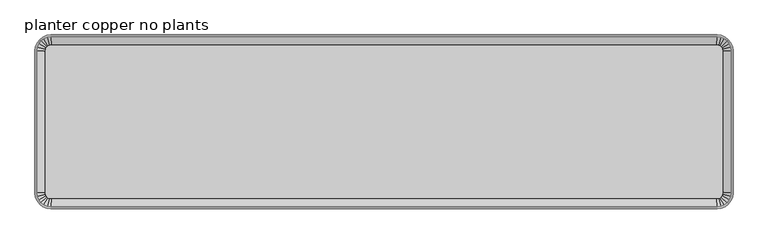
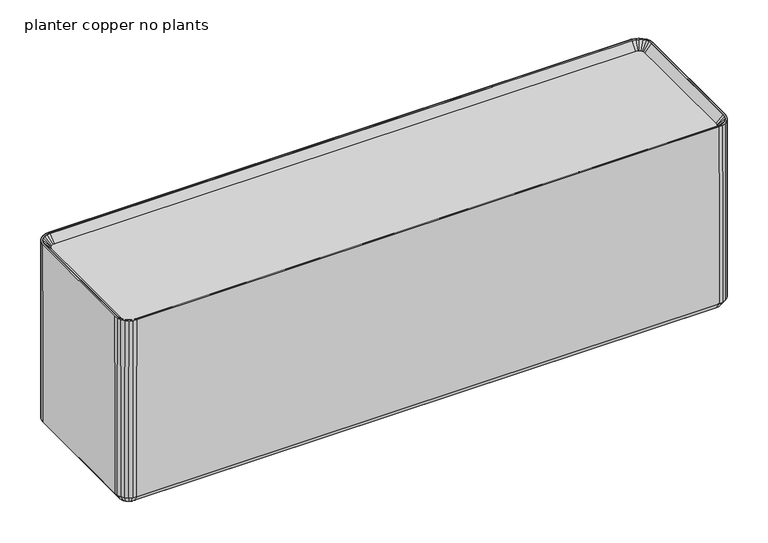
"""IFC4 building model written with IfcOpenShell, lengths in millimetres: furniture geometry, planter copper no plants."""

from ifc_helpers import new_model, si_unit, origin, place, context, project, spatial, triangles, source, transform, mapped, element, save


def planter_copper_no_plants_eedb3421(model_context):
    return source(origin(), model_context, "Body", "Tessellation", [
        triangles([(-534.1934472, 139.7018107, 355.6679343), (-540.7675009, 138.8363112, 355.6679343), (-540.7675009, 138.8363112, 266.7000908), (-534.1934472, 139.7018107, 266.7000908), (-558.7279962, 120.8758068, 355.6679343), (-558.7279962, 120.8758068, 266.7000908), (-556.1905057, 127.0018046, 266.7000908), (-556.1905057, 127.0018046, 355.6679343), (-552.1540152, -132.2587149, 355.6679343), (-552.1540152, -132.2587149, 266.7000908), (-556.1905057, -126.9982166, 266.7000908), (-556.1905057, -126.9982166, 355.6679343), (-558.7279962, -120.8722006, 355.6679343), (-558.7279962, -120.8722006, 266.7000908), (-559.593423, -114.2982287, 266.7000908), (-559.593423, -114.2982287, 355.6679343), (-559.593423, 114.3017895, 266.7000908), (-559.593423, 114.3017895, 355.6679343), (-546.8934714, -136.2952599, 266.7000908), (-546.8934714, -136.2952599, 355.6679343), (-540.7675009, -138.8327504, 266.7000908), (-540.7675009, -138.8327504, 355.6679343), (-534.1934472, -139.6982044, 266.7000908), (-534.1934472, -139.6982044, 355.6679343), (552.1546692, 132.2623756, 355.6677526), (546.8941255, 136.2988843, 355.6677526), (546.8941255, 136.2988843, 266.6999092), (552.1546692, 132.2623756, 266.6999092), (556.1910144, 127.0018682, 355.6677526), (556.1910144, 127.0018682, 266.6999092), (558.7285775, 120.8758613, 266.6999092), (558.7285775, 120.8758613, 355.6677526), (559.5941497, -114.2981651, 355.6677526), (559.5941497, -114.2981651, 266.6999092), (558.7285775, -120.872137, 266.6999092), (558.7285775, -120.872137, 355.6677526), (546.8941255, -136.2951963, 266.6999092), (540.7681549, -138.8326868, 266.6999092), (540.7681549, -138.8326868, 355.6677526), (546.8941255, -136.2951963, 355.6677526), (534.1940649, -139.6981499, 266.6999092), (534.1940649, -139.6981499, 355.6677526), (556.1910144, -126.998153, 266.6999092), (556.1910144, -126.998153, 355.6677526), (552.1546692, -132.2586513, 266.6999092), (552.1546692, -132.2586513, 355.6677526), (559.5941497, 114.301844, 355.6677526), (559.5941497, 114.301844, 266.6999092), (534.1940649, 139.7018743, 355.6677526), (534.1940649, 139.7018743, 266.6999092), (540.7681549, 138.8363657, 355.6677526), (540.7681549, 138.8363657, 266.6999092), (-552.1540152, 132.2623211, 266.7000908), (-552.1540152, 132.2623211, 355.6679343), (-546.8934714, 136.2988207, 355.6679343), (-546.8934714, 136.2988207, 266.7000908), (559.594077, 114.301844, 12.6999016), (559.594077, -114.2981651, 12.6999016), (-540.7675372, 138.8363112, 12.7000935), (-534.1935199, 139.7018107, 12.7000935), (-540.7675372, -138.8327504, 12.7000935), (-546.8935441, -136.2952599, 12.7000958), (546.8940891, 136.2988843, 12.6999039), (552.1545965, 132.2623756, 12.6999027), (556.1909781, -126.998153, 12.6999016), (552.1545965, -132.2586513, 12.6999027), (534.1939922, -139.6981499, 12.6999073), (-534.1935199, -139.6982044, 12.7000935), (-559.5934957, 114.3017895, 12.700098), (-558.7280325, 120.8758068, 12.700098), (534.1939922, 139.7018743, 12.6999073), (-556.190542, -126.9982166, 12.7000969), (-558.7280325, -120.8722006, 12.700098), (-552.1540515, 132.2623211, 12.7000969), (-546.8935441, 136.2988207, 12.7000958), (-559.5934957, -114.2982287, 12.700098), (-552.1540515, -132.2587149, 12.7000969), (-556.190542, 127.0018046, 12.7000969), (558.7285048, -120.872137, 12.6999016), (540.7680822, 138.8363657, 12.699905), (540.7680822, -138.8326868, 12.699905), (546.8940891, -136.2951963, 12.6999039), (556.1909781, 127.0018682, 12.6999016), (558.7285048, 120.8758613, 12.6999016)], [[1, 2, 3], [3, 4, 1], [5, 6, 7], [7, 8, 5], [9, 10, 11], [11, 12, 9], [13, 14, 15], [15, 16, 13], [16, 15, 17], [17, 18, 16], [19, 10, 9], [9, 20, 19], [12, 11, 14], [14, 13, 12], [21, 19, 20], [20, 22, 21], [23, 21, 22], [22, 24, 23], [25, 26, 27], [27, 28, 25], [29, 30, 31], [31, 32, 29], [33, 34, 35], [35, 36, 33], [37, 38, 39], [39, 40, 37], [38, 41, 42], [42, 39, 38], [36, 35, 43], [43, 44, 36], [44, 43, 45], [45, 46, 44], [47, 48, 34], [34, 33, 47], [45, 37, 40], [40, 46, 45], [49, 1, 4], [4, 50, 49], [41, 23, 24], [24, 42, 41], [26, 51, 52], [52, 27, 26], [51, 49, 50], [50, 52, 51], [25, 28, 30], [30, 29, 25], [32, 31, 48], [48, 47, 32], [8, 7, 53], [53, 54, 8], [55, 54, 53], [53, 56, 55], [18, 17, 6], [6, 5, 18], [2, 55, 56], [56, 3, 2], [48, 57, 58], [58, 34, 48], [4, 3, 59], [59, 60, 4], [61, 62, 19], [19, 21, 61], [28, 27, 63], [63, 64, 28], [43, 65, 66], [66, 45, 43], [67, 68, 23], [23, 41, 67], [17, 69, 70], [70, 6, 17], [50, 4, 60], [60, 71, 50], [11, 72, 73], [73, 14, 11], [56, 53, 74], [74, 75, 56], [15, 76, 69], [69, 17, 15], [62, 77, 10], [10, 19, 62], [7, 78, 74], [74, 53, 7], [35, 79, 65], [65, 43, 35], [27, 52, 80], [80, 63, 27], [81, 67, 41], [41, 38, 81], [14, 73, 76], [76, 15, 14], [10, 77, 72], [72, 11, 10], [52, 50, 71], [71, 80, 52], [82, 81, 38], [38, 37, 82], [30, 83, 84], [84, 31, 30], [31, 84, 57], [57, 48, 31], [34, 58, 79], [79, 35, 34], [28, 64, 83], [83, 30, 28], [66, 82, 37], [37, 45, 66], [68, 61, 21], [21, 23, 68], [6, 70, 78], [78, 7, 6], [3, 56, 75], [75, 59, 3]], closed=False),
        triangles([(533.9859017, -136.523153, 355.6677526), (533.1628415, -123.9627278, 342.9677648), (536.6602661, -123.5022544, 342.9677648), (539.9392084, -135.739389, 355.6677526), (-539.9385544, 135.7430407, 330.2679222), (-545.2923337, 133.5254889, 330.2679222), (-545.2923337, 133.5254889, 355.6679343), (-539.9385544, 135.7430407, 355.6679343), (534.1939922, 139.7018743, 12.6999073), (533.6361411, 131.1900937, -9.34e-05), (538.5461612, 130.5436306, -9.43e-05), (540.7680822, 138.8363657, 12.699905), (545.2929877, -133.5218282, 355.6677526), (539.9392084, -135.739389, 330.2677405), (545.2929877, -133.5218282, 330.2677405), (538.9583817, 122.5540565, 342.9677648), (545.2929877, 133.5255525, 355.6677526), (549.8900908, 129.9979426, 355.6677526), (540.9319894, 121.0397321, 342.9677648), (540.9319894, -121.0360532, 342.9677648), (542.4462502, -119.0625454, 342.9677648), (553.4177462, -125.3969335, 355.6677526), (549.8900908, -129.9942455, 355.6677526), (555.6352707, -120.0433086, 355.6677526), (555.6352707, -120.0433086, 330.2677405), (556.4191255, -114.0900292, 330.2677405), (556.4191255, -114.0900292, 355.6677526), (536.6602661, 123.5059334, 342.9677648), (533.1628415, 123.9664521, 342.9677648), (533.9859017, 136.5268682, 355.6677526), (539.9392084, 135.7430952, 355.6677526), (538.9583817, -122.5503412, 342.9677648), (553.4177462, 125.4006669, 355.6677526), (542.4462502, 119.0662607, 342.9677648), (539.9392084, 135.7430952, 330.2677405), (533.9859017, 136.5268682, 330.2677405), (556.1909781, -126.998153, 12.6999016), (548.7561848, -122.7055462, -9.61e-05), (546.0839278, -126.1879826, -9.56e-05), (552.1545965, -132.2586513, 12.6999027), (542.6014006, 128.863873, -9.5e-05), (546.8940891, 136.2988843, 12.6999039), (546.0839278, 126.1917069, -9.56e-05), (552.1545965, 132.2623756, 12.6999027), (559.594077, -114.2981651, 12.6999016), (551.0823146, -113.7402685, -9.65e-05), (550.4358424, -118.6501342, -9.64e-05), (558.7285048, -120.872137, 12.6999016), (542.6014006, -128.8601487, -9.5e-05), (538.5461612, -130.5399517, -9.43e-05), (540.7680822, -138.8326868, 12.699905), (546.8940891, -136.2951963, 12.6999039), (556.1909781, 127.0018682, 12.6999016), (548.7561848, 122.7092251, -9.61e-05), (550.4358424, 118.6538676, -9.64e-05), (558.7285048, 120.8758613, 12.6999016), (-539.9385544, -135.7394435, 355.6679343), (-545.2923337, -133.5218827, 355.6679343), (-545.2923337, -133.5218827, 330.2679222), (-539.9385544, -135.7394435, 330.2679222), (-555.6346893, 120.046933, 355.6679343), (-553.4172011, 125.4006033, 355.6679343), (-542.4455961, 119.0661971, 342.9679101), (-543.3975366, 116.7680634, 342.9679101), (-553.4172011, -125.3969971, 355.6679343), (-553.4172011, -125.3969971, 330.2679222), (-549.8895822, -129.9943, 330.2679222), (-549.8895822, -129.9943, 355.6679343), (-549.8895822, 129.997879, 330.2679222), (-549.8895822, 129.997879, 355.6679343), (-533.985393, 136.5268046, 330.2679222), (-533.985393, 136.5268046, 355.6679343), (-536.6596484, 123.5058789, 342.9679101), (-538.9578366, 122.5539929, 342.9679101), (545.2929877, 133.5255525, 330.2677405), (543.3981906, -116.7643663, 342.9677648), (553.4177462, 125.4006669, 330.2677405), (549.8900908, 129.9979426, 330.2677405), (280.1941618, -136.523153, 355.667789), (280.1941618, -136.523153, 330.2677769), (533.9859017, -136.523153, 330.2677405), (543.8585913, -113.2667964, 342.9677648), (556.4191255, 114.0937626, 355.6677526), (543.8585913, 113.2705116, 342.9677648), (543.3981906, 116.7681179, 342.9677648), (555.6352707, 120.0469875, 355.6677526), (556.4191255, 114.0937626, 330.2677405), (555.6352707, 120.0469875, 330.2677405), (549.8900908, -129.9942455, 330.2677405), (553.4177462, -125.3969335, 330.2677405), (-533.1621148, 123.9663885, 342.9679101), (-534.1935199, 139.7018107, 12.7000935), (-540.7675372, 138.8363112, 12.7000935), (-538.5455435, 130.5435761, 9.4e-05), (-533.6356688, 131.1900301, 9.32e-05), (-546.8935441, 136.2988207, 12.7000958), (-552.1540515, 132.2623211, 12.7000969), (-546.0833465, 126.1916433, 9.53e-05), (-542.6008555, 128.8638094, 9.47e-05), (-558.7280325, -120.8722006, 12.700098), (-550.4352974, -118.6501978, 9.61e-05), (-551.0817332, -113.740323, 9.62e-05), (-559.5934957, -114.2982287, 12.700098), (-558.7280325, 120.8758068, 12.700098), (-550.4352974, 118.653804, 9.61e-05), (-548.7556034, 122.7091706, 9.58e-05), (-556.190542, 127.0018046, 12.7000969), (-543.8580462, 113.2704571, 342.9679101), (-556.4184714, 114.0937081, 355.6679343), (-538.9578366, -122.5503958, 342.9679101), (-536.6596484, -123.502318, 342.9679101), (-556.4184714, -114.0900837, 355.6679343), (-543.8580462, -113.2668599, 342.9679101), (-543.3975366, -116.7644299, 342.9679101), (-555.6346893, -120.0433631, 355.6679343), (-542.4455961, -119.0625999, 342.9679101), (-556.4184714, -114.0900837, 330.2679222), (-555.6346893, -120.0433631, 330.2679222), (-553.4172011, 125.4006033, 330.2679222), (-538.5455435, -130.5400153, 9.4e-05), (-540.7675372, -138.8327504, 12.7000935), (-534.1935199, -139.6982044, 12.7000935), (-533.6356688, -131.1864239, 9.32e-05), (-546.0833465, -126.1880371, 9.53e-05), (-552.1540515, -132.2587149, 12.7000969), (-546.8935441, -136.2952599, 12.7000958), (-542.6008555, -128.8602032, 9.47e-05), (-559.5934957, 114.3017895, 12.700098), (-551.0817332, 113.7439202, 9.62e-05), (-556.190542, -126.9982166, 12.7000969), (-548.7556034, -122.7056098, 9.58e-05), (-555.6346893, 120.046933, 330.2679222), (-540.9313354, -121.0361168, 342.9679101), (533.6361411, -131.1863693, -9.34e-05), (534.1939922, -139.6981499, 12.6999073), (551.0823146, 113.7439838, -9.65e-05), (559.594077, 114.301844, 12.6999016), (-540.9313354, 121.0396776, 342.9679101), (-556.4184714, 114.0937081, 330.2679222), (-533.985393, -136.5232166, 355.6679343), (-533.1621148, -123.9627914, 342.9679101), (-533.985393, -136.5232166, 330.2679222), (278.6066315, 136.5268501, 330.2677769), (278.6066315, 136.5268501, 355.667789), (278.6066315, 123.966434, 342.9677648), (280.1941255, -123.9627278, 342.9677648), (-540.7675009, 138.8363112, 355.6679343), (-546.8934714, 136.2988207, 355.6679343), (-552.1540152, 132.2623211, 355.6679343), (-556.1905057, 127.0018046, 355.6679343), (-558.7279962, 120.8758068, 355.6679343), (-559.593423, 114.3017895, 355.6679343), (-559.593423, -114.2982287, 355.6679343), (-558.7279962, -120.8722006, 355.6679343), (-556.1905057, -126.9982166, 355.6679343), (-552.1540152, -132.2587149, 355.6679343), (-546.8934714, -136.2952599, 355.6679343), (-540.7675009, -138.8327504, 355.6679343), (540.7681549, -138.8326868, 355.6677526), (534.1940649, -139.6981499, 355.6677526), (-534.1934472, -139.6982044, 355.6679343), (-534.1934472, 139.7018107, 355.6679343), (534.1940649, 139.7018743, 355.6677526), (540.7681549, 138.8363657, 355.6677526), (546.8941255, 136.2988843, 355.6677526), (552.1546692, 132.2623756, 355.6677526), (556.1910144, 127.0018682, 355.6677526), (558.7285775, 120.8758613, 355.6677526), (559.5941497, 114.301844, 355.6677526), (559.5941497, -114.2981651, 355.6677526), (558.7285775, -120.872137, 355.6677526), (556.1910144, -126.998153, 355.6677526), (552.1546692, -132.2586513, 355.6677526), (546.8941255, -136.2951963, 355.6677526)], [[1, 2, 3], [3, 4, 1], [5, 6, 7], [7, 8, 5], [9, 10, 11], [11, 12, 9], [13, 4, 14], [14, 15, 13], [16, 17, 18], [18, 19, 16], [20, 21, 22], [22, 23, 20], [24, 25, 26], [26, 27, 24], [28, 29, 30], [30, 31, 28], [32, 20, 23], [23, 13, 32], [19, 18, 33], [33, 34, 19], [35, 36, 30], [30, 31, 35], [37, 38, 39], [39, 40, 37], [12, 11, 41], [41, 42, 12], [42, 41, 43], [43, 44, 42], [45, 46, 47], [47, 48, 45], [49, 50, 51], [51, 52, 49], [53, 54, 55], [55, 56, 53], [57, 58, 59], [59, 60, 57], [61, 62, 63], [63, 64, 61], [65, 66, 67], [67, 68, 65], [6, 69, 70], [70, 7, 6], [71, 5, 8], [8, 72, 71], [7, 8, 73], [73, 74, 7], [75, 35, 31], [31, 17, 75], [21, 76, 24], [24, 22, 21], [33, 77, 78], [78, 18, 33], [1, 79, 80], [80, 81, 1], [24, 76, 82], [82, 27, 24], [78, 75, 17], [17, 18, 78], [28, 31, 17], [17, 16, 28], [83, 84, 85], [85, 86, 83], [34, 33, 86], [86, 85, 34], [83, 87, 88], [88, 86, 83], [23, 89, 90], [90, 22, 23], [86, 88, 77], [77, 33, 86], [23, 13, 15], [15, 89, 23], [4, 1, 81], [81, 14, 4], [3, 32, 13], [13, 4, 3], [73, 8, 72], [72, 91, 73], [22, 90, 25], [25, 24, 22], [44, 43, 54], [54, 53, 44], [92, 93, 94], [94, 95, 92], [96, 97, 98], [98, 99, 96], [100, 101, 102], [102, 103, 100], [104, 105, 106], [106, 107, 104], [107, 106, 98], [98, 97, 107], [61, 64, 108], [108, 109, 61], [58, 68, 67], [67, 59, 58], [58, 110, 111], [111, 57, 58], [112, 113, 114], [114, 115, 112], [115, 114, 116], [116, 65, 115], [112, 117, 118], [118, 115, 112], [70, 69, 119], [119, 62, 70], [115, 118, 66], [66, 65, 115], [120, 121, 122], [122, 123, 120], [124, 125, 126], [126, 127, 124], [128, 129, 105], [105, 104, 128], [127, 126, 121], [121, 120, 127], [93, 96, 99], [99, 94, 93], [130, 131, 101], [101, 100, 130], [125, 124, 131], [131, 130, 125], [62, 119, 132], [132, 61, 62], [68, 133, 110], [110, 58, 68], [48, 47, 38], [38, 37, 48], [50, 134, 135], [135, 51, 50], [39, 49, 52], [52, 40, 39], [56, 55, 136], [136, 137, 56], [62, 70, 138], [138, 63, 62], [61, 132, 139], [139, 109, 61], [140, 57, 111], [111, 141, 140], [70, 7, 74], [74, 138, 70], [65, 116, 133], [133, 68, 65], [140, 57, 60], [60, 142, 140], [103, 102, 129], [129, 128, 103], [137, 136, 46], [46, 45, 137], [27, 26, 87], [87, 83, 27], [27, 82, 84], [84, 83, 27], [109, 139, 117], [117, 112, 109], [109, 108, 113], [113, 112, 109], [143, 71, 72], [72, 144, 143], [91, 72, 144], [144, 145, 91], [144, 29, 145], [144, 30, 29], [9, 92, 95], [95, 10, 9], [123, 122, 135], [135, 134, 123], [79, 140, 142], [142, 80, 79], [79, 140, 141], [141, 146, 79], [146, 1, 79], [146, 2, 1], [29, 28, 91], [28, 73, 91], [28, 16, 73], [16, 74, 73], [16, 19, 74], [19, 138, 74], [19, 34, 138], [34, 63, 138], [34, 85, 63], [85, 64, 63], [85, 84, 64], [84, 108, 64], [84, 82, 108], [82, 113, 108], [82, 76, 113], [76, 114, 113], [76, 21, 114], [21, 116, 114], [21, 20, 116], [20, 133, 116], [20, 32, 133], [32, 110, 133], [32, 3, 110], [3, 111, 110], [3, 2, 111], [2, 141, 111], [147, 30, 72], [72, 148, 147], [72, 8, 148], [8, 149, 148], [8, 7, 149], [7, 70, 149], [70, 150, 149], [70, 62, 150], [62, 151, 150], [62, 61, 151], [61, 152, 151], [61, 109, 152], [109, 153, 152], [109, 112, 153], [112, 115, 153], [115, 154, 153], [115, 65, 154], [65, 155, 154], [65, 68, 155], [68, 156, 155], [68, 58, 156], [58, 157, 156], [58, 57, 157], [57, 140, 157], [140, 158, 157], [140, 159, 158], [159, 160, 158], [160, 161, 158], [162, 163, 164], [164, 147, 162], [164, 30, 147], [164, 165, 30], [165, 31, 30], [165, 166, 31], [166, 17, 31], [166, 18, 17], [166, 167, 18], [167, 33, 18], [167, 168, 33], [168, 86, 33], [168, 169, 86], [169, 83, 86], [169, 170, 83], [170, 27, 83], [170, 24, 27], [170, 171, 24], [171, 22, 24], [171, 172, 22], [172, 23, 22], [172, 173, 23], [173, 13, 23], [173, 174, 13], [174, 4, 13], [174, 1, 4], [174, 159, 1], [159, 79, 1], [159, 140, 79], [11, 10, 95], [95, 94, 11], [94, 41, 11], [94, 99, 41], [99, 43, 41], [99, 98, 43], [98, 54, 43], [98, 106, 54], [106, 55, 54], [106, 105, 55], [105, 136, 55], [105, 129, 136], [129, 46, 136], [129, 102, 46], [102, 47, 46], [102, 101, 47], [101, 38, 47], [101, 131, 38], [131, 39, 38], [131, 124, 39], [124, 49, 39], [124, 127, 49], [127, 50, 49], [127, 120, 50], [120, 134, 50], [120, 123, 134], [36, 143, 144], [144, 30, 36]], closed=False),
        triangles([(-534.1934472, 139.7018107, 355.6679343), (-540.7675009, 138.8363112, 266.7000908), (-540.7675009, 138.8363112, 355.6679343), (-534.1934472, 139.7018107, 266.7000908), (-558.7279962, 120.8758068, 355.6679343), (-556.1905057, 127.0018046, 266.7000908), (-558.7279962, 120.8758068, 266.7000908), (-556.1905057, 127.0018046, 355.6679343), (-552.1540152, -132.2587149, 355.6679343), (-556.1905057, -126.9982166, 266.7000908), (-552.1540152, -132.2587149, 266.7000908), (-556.1905057, -126.9982166, 355.6679343), (-558.7279962, -120.8722006, 355.6679343), (-559.593423, -114.2982287, 266.7000908), (-558.7279962, -120.8722006, 266.7000908), (-559.593423, -114.2982287, 355.6679343), (-559.593423, 114.3017895, 266.7000908), (-559.593423, 114.3017895, 355.6679343), (-546.8934714, -136.2952599, 266.7000908), (-546.8934714, -136.2952599, 355.6679343), (-540.7675009, -138.8327504, 266.7000908), (-540.7675009, -138.8327504, 355.6679343), (-534.1934472, -139.6982044, 266.7000908), (-534.1934472, -139.6982044, 355.6679343), (552.1546692, 132.2623756, 355.6677526), (546.8941255, 136.2988843, 266.6999092), (546.8941255, 136.2988843, 355.6677526), (552.1546692, 132.2623756, 266.6999092), (556.1910144, 127.0018682, 355.6677526), (558.7285775, 120.8758613, 266.6999092), (556.1910144, 127.0018682, 266.6999092), (558.7285775, 120.8758613, 355.6677526), (559.5941497, -114.2981651, 355.6677526), (558.7285775, -120.872137, 266.6999092), (559.5941497, -114.2981651, 266.6999092), (558.7285775, -120.872137, 355.6677526), (546.8941255, -136.2951963, 266.6999092), (540.7681549, -138.8326868, 355.6677526), (540.7681549, -138.8326868, 266.6999092), (546.8941255, -136.2951963, 355.6677526), (534.1940649, -139.6981499, 355.6677526), (534.1940649, -139.6981499, 266.6999092), (556.1910144, -126.998153, 266.6999092), (556.1910144, -126.998153, 355.6677526), (552.1546692, -132.2586513, 266.6999092), (552.1546692, -132.2586513, 355.6677526), (559.5941497, 114.301844, 355.6677526), (559.5941497, 114.301844, 266.6999092), (534.1940649, 139.7018743, 355.6677526), (534.1940649, 139.7018743, 266.6999092), (540.7681549, 138.8363657, 266.6999092), (540.7681549, 138.8363657, 355.6677526), (-552.1540152, 132.2623211, 266.7000908), (-552.1540152, 132.2623211, 355.6679343), (-546.8934714, 136.2988207, 355.6679343), (-546.8934714, 136.2988207, 266.7000908), (533.9859017, -136.523153, 355.6677526), (536.6602661, -123.5022544, 342.9677648), (533.1628415, -123.9627278, 342.9677648), (539.9392084, -135.739389, 355.6677526), (-539.9385544, 135.7430407, 330.2679222), (-545.2923337, 133.5254889, 355.6679343), (-545.2923337, 133.5254889, 330.2679222), (-539.9385544, 135.7430407, 355.6679343), (534.1939922, 139.7018743, 12.6999073), (538.5461612, 130.5436306, -9.43e-05), (533.6361411, 131.1900937, -9.34e-05), (540.7680822, 138.8363657, 12.699905), (545.2929877, -133.5218282, 355.6677526), (539.9392084, -135.739389, 330.2677405), (545.2929877, -133.5218282, 330.2677405), (538.9583817, 122.5540565, 342.9677648), (549.8900908, 129.9979426, 355.6677526), (545.2929877, 133.5255525, 355.6677526), (540.9319894, 121.0397321, 342.9677648), (540.9319894, -121.0360532, 342.9677648), (553.4177462, -125.3969335, 355.6677526), (542.4462502, -119.0625454, 342.9677648), (549.8900908, -129.9942455, 355.6677526), (555.6352707, -120.0433086, 355.6677526), (556.4191255, -114.0900292, 330.2677405), (555.6352707, -120.0433086, 330.2677405), (556.4191255, -114.0900292, 355.6677526), (536.6602661, 123.5059334, 342.9677648), (533.9859017, 136.5268682, 355.6677526), (533.1628415, 123.9664521, 342.9677648), (539.9392084, 135.7430952, 355.6677526), (538.9583817, -122.5503412, 342.9677648), (553.4177462, 125.4006669, 355.6677526), (542.4462502, 119.0662607, 342.9677648), (539.9392084, 135.7430952, 330.2677405), (533.9859017, 136.5268682, 330.2677405), (556.1909781, -126.998153, 12.6999016), (546.0839278, -126.1879826, -9.56e-05), (548.7561848, -122.7055462, -9.61e-05), (552.1545965, -132.2586513, 12.6999027), (542.6014006, 128.863873, -9.5e-05), (546.8940891, 136.2988843, 12.6999039), (546.0839278, 126.1917069, -9.56e-05), (552.1545965, 132.2623756, 12.6999027), (559.594077, -114.2981651, 12.6999016), (550.4358424, -118.6501342, -9.64e-05), (551.0823146, -113.7402685, -9.65e-05), (558.7285048, -120.872137, 12.6999016), (542.6014006, -128.8601487, -9.5e-05), (540.7680822, -138.8326868, 12.699905), (538.5461612, -130.5399517, -9.43e-05), (546.8940891, -136.2951963, 12.6999039), (556.1909781, 127.0018682, 12.6999016), (550.4358424, 118.6538676, -9.64e-05), (548.7561848, 122.7092251, -9.61e-05), (558.7285048, 120.8758613, 12.6999016), (-539.9385544, -135.7394435, 355.6679343), (-545.2923337, -133.5218827, 330.2679222), (-545.2923337, -133.5218827, 355.6679343), (-539.9385544, -135.7394435, 330.2679222), (-555.6346893, 120.046933, 355.6679343), (-542.4455961, 119.0661971, 342.9679101), (-553.4172011, 125.4006033, 355.6679343), (-543.3975366, 116.7680634, 342.9679101), (-553.4172011, -125.3969971, 355.6679343), (-549.8895822, -129.9943, 330.2679222), (-553.4172011, -125.3969971, 330.2679222), (-549.8895822, -129.9943, 355.6679343), (-549.8895822, 129.997879, 355.6679343), (-549.8895822, 129.997879, 330.2679222), (-533.985393, 136.5268046, 330.2679222), (-533.985393, 136.5268046, 355.6679343), (-536.6596484, 123.5058789, 342.9679101), (-538.9578366, 122.5539929, 342.9679101), (545.2929877, 133.5255525, 330.2677405), (543.3981906, -116.7643663, 342.9677648), (549.8900908, 129.9979426, 330.2677405), (553.4177462, 125.4006669, 330.2677405), (280.1941618, -136.523153, 330.2677769), (280.1941618, -136.523153, 355.667789), (533.9859017, -136.523153, 330.2677405), (543.8585913, -113.2667964, 342.9677648), (556.4191255, 114.0937626, 355.6677526), (543.3981906, 116.7681179, 342.9677648), (543.8585913, 113.2705116, 342.9677648), (555.6352707, 120.0469875, 355.6677526), (555.6352707, 120.0469875, 330.2677405), (556.4191255, 114.0937626, 330.2677405), (553.4177462, -125.3969335, 330.2677405), (549.8900908, -129.9942455, 330.2677405), (-533.1621148, 123.9663885, 342.9679101), (-534.1935199, 139.7018107, 12.7000935), (-538.5455435, 130.5435761, 9.4e-05), (-540.7675372, 138.8363112, 12.7000935), (-533.6356688, 131.1900301, 9.32e-05), (-546.8935441, 136.2988207, 12.7000958), (-546.0833465, 126.1916433, 9.53e-05), (-552.1540515, 132.2623211, 12.7000969), (-542.6008555, 128.8638094, 9.47e-05), (-558.7280325, -120.8722006, 12.700098), (-551.0817332, -113.740323, 9.62e-05), (-550.4352974, -118.6501978, 9.61e-05), (-559.5934957, -114.2982287, 12.700098), (-558.7280325, 120.8758068, 12.700098), (-548.7556034, 122.7091706, 9.58e-05), (-550.4352974, 118.653804, 9.61e-05), (-556.190542, 127.0018046, 12.7000969), (-543.8580462, 113.2704571, 342.9679101), (-556.4184714, 114.0937081, 355.6679343), (-536.6596484, -123.502318, 342.9679101), (-538.9578366, -122.5503958, 342.9679101), (-556.4184714, -114.0900837, 355.6679343), (-543.3975366, -116.7644299, 342.9679101), (-543.8580462, -113.2668599, 342.9679101), (-555.6346893, -120.0433631, 355.6679343), (-542.4455961, -119.0625999, 342.9679101), (-555.6346893, -120.0433631, 330.2679222), (-556.4184714, -114.0900837, 330.2679222), (-553.4172011, 125.4006033, 330.2679222), (-538.5455435, -130.5400153, 9.4e-05), (-534.1935199, -139.6982044, 12.7000935), (-540.7675372, -138.8327504, 12.7000935), (-533.6356688, -131.1864239, 9.32e-05), (-546.0833465, -126.1880371, 9.53e-05), (-546.8935441, -136.2952599, 12.7000958), (-552.1540515, -132.2587149, 12.7000969), (-542.6008555, -128.8602032, 9.47e-05), (-559.5934957, 114.3017895, 12.700098), (-551.0817332, 113.7439202, 9.62e-05), (-556.190542, -126.9982166, 12.7000969), (-548.7556034, -122.7056098, 9.58e-05), (-555.6346893, 120.046933, 330.2679222), (-540.9313354, -121.0361168, 342.9679101), (534.1939922, -139.6981499, 12.6999073), (533.6361411, -131.1863693, -9.34e-05), (551.0823146, 113.7439838, -9.65e-05), (559.594077, 114.301844, 12.6999016), (-540.9313354, 121.0396776, 342.9679101), (-556.4184714, 114.0937081, 330.2679222), (-533.985393, -136.5232166, 355.6679343), (-533.1621148, -123.9627914, 342.9679101), (-533.985393, -136.5232166, 330.2679222), (278.6066315, 136.5268501, 330.2677769), (278.6066315, 136.5268501, 355.667789), (278.6066315, 123.966434, 342.9677648), (280.1941255, -123.9627278, 342.9677648)], [[1, 2, 3], [2, 1, 4], [5, 6, 7], [6, 5, 8], [9, 10, 11], [10, 9, 12], [13, 14, 15], [14, 13, 16], [16, 17, 14], [17, 16, 18], [19, 9, 11], [9, 19, 20], [12, 15, 10], [15, 12, 13], [21, 20, 19], [20, 21, 22], [23, 22, 21], [22, 23, 24], [25, 26, 27], [26, 25, 28], [29, 30, 31], [30, 29, 32], [33, 34, 35], [34, 33, 36], [37, 38, 39], [38, 37, 40], [39, 41, 42], [41, 39, 38], [36, 43, 34], [43, 36, 44], [44, 45, 43], [45, 44, 46], [47, 35, 48], [35, 47, 33], [45, 40, 37], [40, 45, 46], [49, 4, 1], [4, 49, 50], [42, 24, 23], [24, 42, 41], [27, 51, 52], [51, 27, 26], [52, 50, 49], [50, 52, 51], [25, 31, 28], [31, 25, 29], [32, 48, 30], [48, 32, 47], [8, 53, 6], [53, 8, 54], [55, 53, 54], [53, 55, 56], [18, 7, 17], [7, 18, 5], [3, 56, 55], [56, 3, 2], [57, 58, 59], [58, 57, 60], [61, 62, 63], [62, 61, 64], [65, 66, 67], [66, 65, 68], [69, 70, 60], [70, 69, 71], [72, 73, 74], [73, 72, 75], [76, 77, 78], [77, 76, 79], [80, 81, 82], [81, 80, 83], [84, 85, 86], [85, 84, 87], [88, 79, 76], [79, 88, 69], [75, 89, 73], [89, 75, 90], [91, 85, 92], [85, 91, 87], [93, 94, 95], [94, 93, 96], [68, 97, 66], [97, 68, 98], [98, 99, 97], [99, 98, 100], [101, 102, 103], [102, 101, 104], [105, 106, 107], [106, 105, 108], [109, 110, 111], [110, 109, 112], [113, 114, 115], [114, 113, 116], [117, 118, 119], [118, 117, 120], [121, 122, 123], [122, 121, 124], [63, 125, 126], [125, 63, 62], [127, 64, 61], [64, 127, 128], [62, 129, 64], [129, 62, 130], [131, 87, 91], [87, 131, 74], [78, 80, 132], [80, 78, 77], [89, 133, 134], [133, 89, 73], [57, 135, 136], [135, 57, 137], [80, 138, 132], [138, 80, 83], [133, 74, 131], [74, 133, 73], [84, 74, 87], [74, 84, 72], [139, 140, 141], [140, 139, 142], [90, 142, 89], [142, 90, 140], [139, 143, 144], [143, 139, 142], [79, 145, 146], [145, 79, 77], [142, 134, 143], [134, 142, 89], [79, 71, 69], [71, 79, 146], [60, 137, 57], [137, 60, 70], [58, 69, 88], [69, 58, 60], [129, 128, 64], [128, 129, 147], [77, 82, 145], [82, 77, 80], [100, 111, 99], [111, 100, 109], [148, 149, 150], [149, 148, 151], [152, 153, 154], [153, 152, 155], [156, 157, 158], [157, 156, 159], [160, 161, 162], [161, 160, 163], [163, 153, 161], [153, 163, 154], [117, 164, 120], [164, 117, 165], [115, 122, 124], [122, 115, 114], [115, 166, 167], [166, 115, 113], [168, 169, 170], [169, 168, 171], [171, 172, 169], [172, 171, 121], [168, 173, 174], [173, 168, 171], [125, 175, 126], [175, 125, 119], [171, 123, 173], [123, 171, 121], [176, 177, 178], [177, 176, 179], [180, 181, 182], [181, 180, 183], [184, 162, 185], [162, 184, 160], [183, 178, 181], [178, 183, 176], [150, 155, 152], [155, 150, 149], [186, 158, 187], [158, 186, 156], [182, 187, 180], [187, 182, 186], [119, 188, 175], [188, 119, 117], [124, 167, 189], [167, 124, 115], [104, 95, 102], [95, 104, 93], [107, 190, 191], [190, 107, 106], [94, 108, 105], [108, 94, 96], [112, 192, 110], [192, 112, 193], [119, 194, 125], [194, 119, 118], [117, 195, 188], [195, 117, 165], [196, 166, 113], [166, 196, 197], [125, 130, 62], [130, 125, 194], [121, 189, 172], [189, 121, 124], [196, 116, 113], [116, 196, 198], [159, 185, 157], [185, 159, 184], [193, 103, 192], [103, 193, 101], [83, 144, 81], [144, 83, 139], [83, 141, 138], [141, 83, 139], [165, 174, 195], [174, 165, 168], [165, 170, 164], [170, 165, 168], [199, 128, 127], [128, 199, 200], [147, 200, 128], [200, 147, 201], [200, 201, 86], [200, 86, 85], [65, 151, 148], [151, 65, 67], [179, 190, 177], [190, 179, 191], [136, 198, 196], [198, 136, 135], [136, 197, 196], [197, 136, 202], [202, 136, 57], [202, 57, 59], [86, 147, 84], [84, 147, 129], [84, 129, 72], [72, 129, 130], [72, 130, 75], [75, 130, 194], [75, 194, 90], [90, 194, 118], [90, 118, 140], [140, 118, 120], [140, 120, 141], [141, 120, 164], [141, 164, 138], [138, 164, 170], [138, 170, 132], [132, 170, 169], [132, 169, 78], [78, 169, 172], [78, 172, 76], [76, 172, 189], [76, 189, 88], [88, 189, 167], [88, 167, 58], [58, 167, 166], [58, 166, 59], [59, 166, 197], [3, 128, 85], [128, 3, 55], [128, 55, 64], [64, 55, 54], [64, 54, 62], [62, 54, 125], [125, 54, 8], [125, 8, 119], [119, 8, 5], [119, 5, 117], [117, 5, 18], [117, 18, 165], [165, 18, 16], [165, 16, 168], [168, 16, 171], [171, 16, 13], [171, 13, 121], [121, 13, 12], [121, 12, 124], [124, 12, 9], [124, 9, 115], [115, 9, 20], [115, 20, 113], [113, 20, 196], [196, 20, 22], [196, 22, 38], [38, 22, 41], [41, 22, 24], [1, 52, 49], [52, 1, 3], [52, 3, 85], [52, 85, 27], [27, 85, 87], [27, 87, 25], [25, 87, 74], [25, 74, 73], [25, 73, 29], [29, 73, 89], [29, 89, 32], [32, 89, 142], [32, 142, 47], [47, 142, 139], [47, 139, 33], [33, 139, 83], [33, 83, 80], [33, 80, 36], [36, 80, 77], [36, 77, 44], [44, 77, 79], [44, 79, 46], [46, 79, 69], [46, 69, 40], [40, 69, 60], [40, 60, 57], [40, 57, 38], [38, 57, 136], [38, 136, 196], [66, 151, 67], [151, 66, 149], [149, 66, 97], [149, 97, 155], [155, 97, 99], [155, 99, 153], [153, 99, 111], [153, 111, 161], [161, 111, 110], [161, 110, 162], [162, 110, 192], [162, 192, 185], [185, 192, 103], [185, 103, 157], [157, 103, 102], [157, 102, 158], [158, 102, 95], [158, 95, 187], [187, 95, 94], [187, 94, 180], [180, 94, 105], [180, 105, 183], [183, 105, 107], [183, 107, 176], [176, 107, 191], [176, 191, 179], [92, 200, 199], [200, 92, 85]], closed=False),
        triangles([(559.5941497, 114.301844, 266.6999092), (559.594077, -114.2981651, 12.6999016), (559.594077, 114.301844, 12.6999016), (559.5941497, -114.2981651, 266.6999092), (-534.1934472, 139.7018107, 266.7000908), (-540.7675372, 138.8363112, 12.7000935), (-540.7675009, 138.8363112, 266.7000908), (-534.1935199, 139.7018107, 12.7000935), (-540.7675372, -138.8327504, 12.7000935), (-546.8934714, -136.2952599, 266.7000908), (-546.8935441, -136.2952599, 12.7000958), (-540.7675009, -138.8327504, 266.7000908), (552.1546692, 132.2623756, 266.6999092), (546.8940891, 136.2988843, 12.6999039), (546.8941255, 136.2988843, 266.6999092), (552.1545965, 132.2623756, 12.6999027), (556.1910144, -126.998153, 266.6999092), (552.1545965, -132.2586513, 12.6999027), (556.1909781, -126.998153, 12.6999016), (552.1546692, -132.2586513, 266.6999092), (534.1939922, -139.6981499, 12.6999073), (-534.1934472, -139.6982044, 266.7000908), (-534.1935199, -139.6982044, 12.7000935), (534.1940649, -139.6981499, 266.6999092), (-559.593423, 114.3017895, 266.7000908), (-558.7280325, 120.8758068, 12.700098), (-559.5934957, 114.3017895, 12.700098), (-558.7279962, 120.8758068, 266.7000908), (534.1940649, 139.7018743, 266.6999092), (534.1939922, 139.7018743, 12.6999073), (-556.1905057, -126.9982166, 266.7000908), (-558.7280325, -120.8722006, 12.700098), (-556.190542, -126.9982166, 12.7000969), (-558.7279962, -120.8722006, 266.7000908), (-546.8934714, 136.2988207, 266.7000908), (-552.1540515, 132.2623211, 12.7000969), (-552.1540152, 132.2623211, 266.7000908), (-546.8935441, 136.2988207, 12.7000958), (-559.593423, -114.2982287, 266.7000908), (-559.5934957, -114.2982287, 12.700098), (-552.1540152, -132.2587149, 266.7000908), (-552.1540515, -132.2587149, 12.7000969), (-556.1905057, 127.0018046, 266.7000908), (-556.190542, 127.0018046, 12.7000969), (558.7285775, -120.872137, 266.6999092), (558.7285048, -120.872137, 12.6999016), (540.7680822, 138.8363657, 12.699905), (540.7681549, 138.8363657, 266.6999092), (540.7680822, -138.8326868, 12.699905), (540.7681549, -138.8326868, 266.6999092), (546.8940891, -136.2951963, 12.6999039), (546.8941255, -136.2951963, 266.6999092), (556.1910144, 127.0018682, 266.6999092), (558.7285048, 120.8758613, 12.6999016), (556.1909781, 127.0018682, 12.6999016), (558.7285775, 120.8758613, 266.6999092)], [[1, 2, 3], [2, 1, 4], [5, 6, 7], [6, 5, 8], [9, 10, 11], [10, 9, 12], [13, 14, 15], [14, 13, 16], [17, 18, 19], [18, 17, 20], [21, 22, 23], [22, 21, 24], [25, 26, 27], [26, 25, 28], [29, 8, 5], [8, 29, 30], [31, 32, 33], [32, 31, 34], [35, 36, 37], [36, 35, 38], [39, 27, 40], [27, 39, 25], [11, 41, 42], [41, 11, 10], [43, 36, 44], [36, 43, 37], [45, 19, 46], [19, 45, 17], [15, 47, 48], [47, 15, 14], [49, 24, 21], [24, 49, 50], [34, 40, 32], [40, 34, 39], [41, 33, 42], [33, 41, 31], [48, 30, 29], [30, 48, 47], [51, 50, 49], [50, 51, 52], [53, 54, 55], [54, 53, 56], [56, 3, 54], [3, 56, 1], [4, 46, 2], [46, 4, 45], [13, 55, 16], [55, 13, 53], [18, 52, 51], [52, 18, 20], [23, 12, 9], [12, 23, 22], [28, 44, 26], [44, 28, 43], [7, 38, 35], [38, 7, 6]], closed=False),
    ])


if __name__ == "__main__":
    model = new_model("IFC4")
    model_context = context("Model", 3, world=origin())
    ifc_project = project(units=[si_unit("LENGTHUNIT", "METRE", prefix="MILLI")], contexts=[model_context])
    site = spatial("IfcSite", under=ifc_project)
    building = spatial("IfcBuilding", under=site)
    placement = place(None, origin())
    planter_copper_no_plants_shape = planter_copper_no_plants_eedb3421(model_context)
    element("IfcFurniture", 1, ObjectType="planter copper no plants", at=placement, inside=building, context=model_context, shape_type="MappedRepresentation", body=[
        mapped(planter_copper_no_plants_shape, transform((0.0, 0.0, 0.0), x_axis=(1.0, 0.0, 0.0), y_axis=(0.0, 1.0, 0.0), z_axis=(0.0, 0.0, 1.0))),
    ])
    save(model, "model.ifc")
